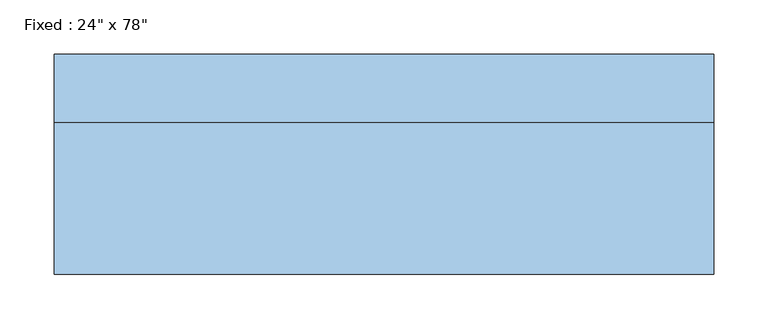
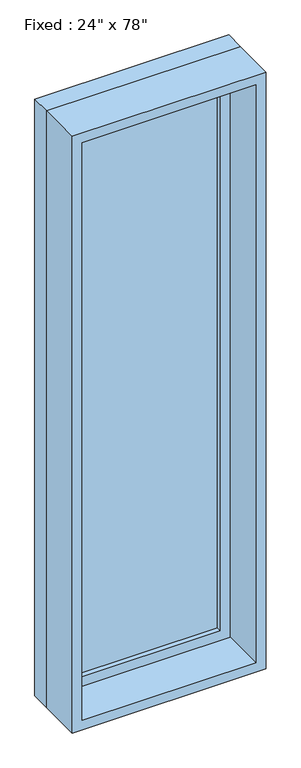
"""IFC4 building model written with IfcOpenShell, lengths in millimetres: window geometry."""

from ifc_helpers import new_model, si_unit, frame, origin, place, context, project, spatial, polyline, outline, extrude, source, transform, mapped, element, save


def window_9e74ebe4(model_context):
    return source(origin(), model_context, "Body", "SweptSolid", [
        extrude(outline(polyline([(203.2, 53.975), (-279.4, 53.975), (-279.4, 66.675), (203.2, 66.675), (203.2, 53.975)])), frame((0.0, 0.0, 673.1), z_axis=(0.0, 0.0, 1.0), x_axis=(1.0, 0.0, 0.0)), (0.0, 0.0, 1.0), 1854.2),
        extrude(outline(polyline([(2571.75, -323.85), (628.65, -323.85), (628.65, 247.65), (2571.75, 247.65), (2571.75, -323.85)]), holes=[polyline([(2527.3, -279.4), (2527.3, 203.2), (673.1, 203.2), (673.1, -279.4), (2527.3, -279.4)])]), frame((0.0, 38.1, 0.0), z_axis=(0.0, 1.0, 0.0), x_axis=(0.0, 0.0, 1.0)), (0.0, 0.0, 1.0), 44.45),
        extrude(outline(polyline([(2590.8, -342.9), (609.6, -342.9), (609.6, 266.7), (2590.8, 266.7), (2590.8, -342.9)]), holes=[polyline([(2559.05, -311.15), (2559.05, 234.95), (641.35, 234.95), (641.35, -311.15), (2559.05, -311.15)])]), frame((0.0, -101.6, 0.0), z_axis=(0.0, 1.0, 0.0), x_axis=(0.0, 0.0, 1.0)), (0.0, 0.0, 1.0), 139.7),
        extrude(outline(polyline([(2590.8, 266.7), (2590.8, -342.9), (609.6, -342.9), (609.6, 266.7), (2590.8, 266.7)]), holes=[polyline([(2571.75, 247.65), (628.65, 247.65), (628.65, -323.85), (2571.75, -323.85), (2571.75, 247.65)])]), frame((0.0, 38.1, 0.0), z_axis=(0.0, 1.0, 0.0), x_axis=(0.0, 0.0, 1.0)), (0.0, 0.0, 1.0), 63.5),
    ])


if __name__ == "__main__":
    model = new_model("IFC4")
    model_context = context("Model", 3, world=origin())
    ifc_project = project(units=[si_unit("LENGTHUNIT", "METRE", prefix="MILLI")], contexts=[model_context])
    site = spatial("IfcSite", under=ifc_project)
    building = spatial("IfcBuilding", under=site)
    placement = place(None, origin())
    window_shape = window_9e74ebe4(model_context)
    element("IfcWindow", 1, ObjectType="Fixed : 24\" x 78\"", at=placement, inside=building, context=model_context, shape_type="MappedRepresentation", body=[
        mapped(window_shape, transform((0.0, 0.0, 0.0), x_axis=(1.0, 0.0, 0.0), y_axis=(0.0, 1.0, 0.0), z_axis=(0.0, 0.0, 1.0))),
    ])
    save(model, "model.ifc")
